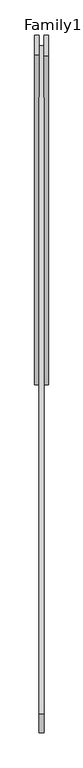
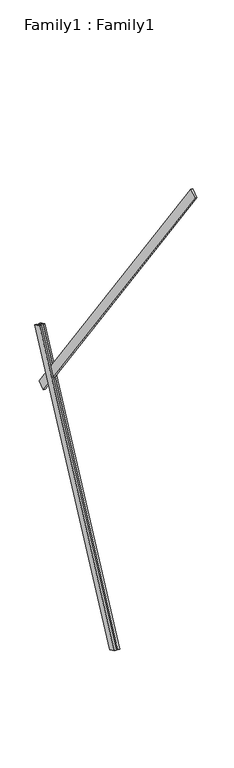
"""IFC4 building model written with IfcOpenShell, lengths in millimetres: proxy geometry, Family1 : Family1."""

import ifcopenshell
import ifcopenshell.guid

model = None  # the IFC model being written
_history = None  # IfcOwnerHistory: only IFC2X3 demands one
_inside = {}  # id of a spatial element -> (the spatial element, [elements in it])
_under = {}  # id of a project, library or spatial element -> (it, [spatial elements below it])
_declared = {}  # id of a project -> (the project, [libraries it declares])
_typed = {}  # id of a type object -> (the type object, [elements of that type])
_made_of = {}  # id of a material, layer set ... -> (it, [elements and type objects made of it])


def new_model(schema):
    """Start an empty IFC model of exactly this schema.

    Asked for "IFC4X3", IfcOpenShell would pick the latest addendum, in which some entities
    have other attributes; the version numbers below select the first issue.
    IFC2X3 requires an IfcOwnerHistory on every rooted entity: one is made here for all.
    """
    global model, _history
    if schema == "IFC4X3":
        model = ifcopenshell.file(schema_version=(4, 3, 0, 0))
    else:
        model = ifcopenshell.file(schema=schema)
    _inside.clear()
    _under.clear()
    _declared.clear()
    _typed.clear()
    _made_of.clear()
    _history = None
    if model.schema == "IFC2X3":
        org = make("IfcOrganization", Name="unknown")
        user = make(
            "IfcPersonAndOrganization",
            ThePerson=make("IfcPerson", FamilyName="unknown"),
            TheOrganization=org,
        )
        app = make(
            "IfcApplication",
            ApplicationDeveloper=org,
            Version="unknown",
            ApplicationFullName="unknown",
            ApplicationIdentifier="unknown",
        )
        _history = make(
            "IfcOwnerHistory",
            OwningUser=user,
            OwningApplication=app,
            ChangeAction="ADDED",
            CreationDate=0,
        )
    return model


def make(cls, **values):
    """One entity of the class cls with the attributes given. An attribute that is None is left unset."""
    return model.create_entity(
        cls, **{name: value for name, value in values.items() if value is not None}
    )


def rooted(cls, **values):
    """An entity with a GlobalId (a new one), such as an element, a storey or a relation."""
    return make(cls, GlobalId=ifcopenshell.guid.new(), OwnerHistory=_history, **values)


def si_unit(unit_type, name, prefix=None):
    """IfcSIUnit, for example si_unit("LENGTHUNIT", "METRE", prefix="MILLI")."""
    return make("IfcSIUnit", UnitType=unit_type, Prefix=prefix, Name=name)


def assignment(units):
    """IfcUnitAssignment: the units of a project."""
    return None if units is None else make("IfcUnitAssignment", Units=units)


def point(xyz):
    """IfcCartesianPoint."""
    return None if xyz is None else make("IfcCartesianPoint", Coordinates=xyz)


def direction(xyz):
    """IfcDirection."""
    return None if xyz is None else make("IfcDirection", DirectionRatios=xyz)


def frame(location, z_axis=None, x_axis=None):
    """IfcAxis2Placement3D, a coordinate frame: its origin and axes. An axis left out is left unset."""
    return make(
        "IfcAxis2Placement3D",
        Location=point(location),
        Axis=direction(z_axis),
        RefDirection=direction(x_axis),
    )


def origin():
    """The frame at (0, 0, 0) with its axes left unset."""
    return frame((0.0, 0.0, 0.0))


def place(relative_to, where):
    """IfcLocalPlacement: puts the frame where relative to a parent placement (None: the world)."""
    return make(
        "IfcLocalPlacement", PlacementRelTo=relative_to, RelativePlacement=where
    )


def context(
    kind, dimensions, precision=None, world=None, true_north=None, identifier=None
):
    """IfcGeometricRepresentationContext, for example the 3D "Model" context."""
    return make(
        "IfcGeometricRepresentationContext",
        ContextIdentifier=identifier,
        ContextType=kind,
        CoordinateSpaceDimension=dimensions,
        Precision=precision,
        WorldCoordinateSystem=world,
        TrueNorth=true_north,
    )


def project(units=None, contexts=None):
    """IfcProject with its units and contexts."""
    return rooted(
        "IfcProject",
        Name="project",
        RepresentationContexts=contexts,
        UnitsInContext=assignment(units),
    )


def spatial(cls, under=None, at=None, **own):
    """A site, building, storey or space (cls), placed at a placement, below another one or the project."""
    s = rooted(cls, ObjectPlacement=at, **own)
    if under is not None:
        _under.setdefault(under.id(), (under, []))[1].append(s)
    return s


def polyline(points):
    """IfcPolyline through the points."""
    return make("IfcPolyline", Points=[point(p) for p in points])


def outline(outer, holes=None, kind="AREA"):
    """IfcArbitraryClosedProfileDef: a profile drawn as a closed curve; with holes, ...WithVoids."""
    if holes is None:
        return make("IfcArbitraryClosedProfileDef", ProfileType=kind, OuterCurve=outer)
    return make(
        "IfcArbitraryProfileDefWithVoids",
        ProfileType=kind,
        OuterCurve=outer,
        InnerCurves=holes,
    )


def extrude(swept, where, along, depth):
    """IfcExtrudedAreaSolid: the profile swept, set in the frame where, extruded along a direction by depth."""
    return make(
        "IfcExtrudedAreaSolid",
        SweptArea=swept,
        Position=where,
        ExtrudedDirection=direction(along),
        Depth=depth,
    )


def shape(context_of_items, identifier, shape_type, items):
    """IfcShapeRepresentation: the items that make up one representation, for example the "Body"."""
    return make(
        "IfcShapeRepresentation",
        ContextOfItems=context_of_items,
        RepresentationIdentifier=identifier,
        RepresentationType=shape_type,
        Items=items,
    )


def source(mapping_origin, context_of_items, identifier, shape_type, items):
    """IfcRepresentationMap: a shape defined once, which mapped items show again and again."""
    return make(
        "IfcRepresentationMap",
        MappingOrigin=mapping_origin,
        MappedRepresentation=shape(context_of_items, identifier, shape_type, items),
    )


def transform(
    local_origin,
    x_axis=None,
    y_axis=None,
    z_axis=None,
    scale=None,
    scale2=None,
    scale3=None,
    uniform=True,
):
    """IfcCartesianTransformationOperator3D, or its non-uniform kind. x_axis, y_axis, z_axis: its Axis1, 2, 3."""
    if uniform:
        return make(
            "IfcCartesianTransformationOperator3D",
            Axis1=direction(x_axis),
            Axis2=direction(y_axis),
            LocalOrigin=point(local_origin),
            Scale=scale,
            Axis3=direction(z_axis),
        )
    return make(
        "IfcCartesianTransformationOperator3DnonUniform",
        Axis1=direction(x_axis),
        Axis2=direction(y_axis),
        LocalOrigin=point(local_origin),
        Scale=scale,
        Axis3=direction(z_axis),
        Scale2=scale2,
        Scale3=scale3,
    )


def mapped(mapping_source, mapping_target):
    """IfcMappedItem: shows the shape of a source again, moved by a transform."""
    return make(
        "IfcMappedItem", MappingSource=mapping_source, MappingTarget=mapping_target
    )


def made_of(thing, what):
    """Note that an element or type object is made of a material, layer set ...; save() writes the relation."""
    if what is not None:
        _made_of.setdefault(what.id(), (what, []))[1].append(thing)
    return thing


def element(
    cls,
    number,
    at=None,
    inside=None,
    cuts=None,
    type_object=None,
    material=None,
    context=None,
    identifier="Body",
    shape_type=None,
    held_by="IfcProductDefinitionShape",
    body=None,
    shapes=None,
    **own,
):
    """One element of the class cls, such as IfcWall. Its Tag is "e" and its number.

    at: its placement. inside: the storey or other place that contains it. cuts: it is an
    opening in that element (IfcRelVoidsElement). A single representation is given by context,
    identifier, shape_type and body (its items); several are given by shapes. held_by: the class
    of the entity that holds the representations. save() writes the other relations.
    """
    e = rooted(cls, Tag="e%d" % number, ObjectPlacement=at, **own)
    if body is not None:
        shapes = [shape(context, identifier, shape_type, body)]
    if shapes is not None:
        e.Representation = make(held_by, Representations=shapes)
    if inside is not None:
        _inside.setdefault(inside.id(), (inside, []))[1].append(e)
    if cuts is not None:
        rooted(
            "IfcRelVoidsElement", RelatingBuildingElement=cuts, RelatedOpeningElement=e
        )
    if type_object is not None:
        _typed.setdefault(type_object.id(), (type_object, []))[1].append(e)
    return made_of(e, material)


def aggregate(whole, parts):
    """IfcRelAggregates: a whole, such as a stair, and the parts it consists of."""
    return rooted("IfcRelAggregates", RelatingObject=whole, RelatedObjects=parts)


def save(model, path):
    """Write the relations noted so far, then the file.

    IfcRelAggregates (storeys below a building ...), IfcRelContainedInSpatialStructure (elements
    in a storey), IfcRelDefinesByType, IfcRelAssociatesMaterial and IfcRelDeclares: one each for
    every whole, place, type object, material and project.
    """
    for whole, parts in _under.values():
        aggregate(whole, parts)
    for where, things in _inside.values():
        rooted(
            "IfcRelContainedInSpatialStructure",
            RelatedElements=things,
            RelatingStructure=where,
        )
    for kind, things in _typed.values():
        rooted("IfcRelDefinesByType", RelatedObjects=things, RelatingType=kind)
    for what, things in _made_of.values():
        rooted("IfcRelAssociatesMaterial", RelatedObjects=things, RelatingMaterial=what)
    for by, libraries in _declared.values():
        rooted("IfcRelDeclares", RelatingContext=by, RelatedDefinitions=libraries)
    model.write(path)


def family1_family1_b86b3318(model_context):
    return source(origin(), model_context, "Body", "SweptSolid", [
        extrude(outline(polyline([(0.0, 0.0), (0.0, -20.0), (-100.0000001, -20.0), (-100.0000001, 0.0), (0.0, 0.0)])), frame((-30.0, 46.3241747, -22.5938096), z_axis=(0.0, 0.4383711467890692, 0.8987940462991711), x_axis=(0.0, 0.8987940462991711, -0.4383711467890692)), (0.0, 0.0, 1.0), 3300.0),
        extrude(outline(polyline([(0.0, 0.0), (0.0, -20.0), (-99.9999999, -20.0), (-99.9999999, 0.0), (0.0, 0.0)])), frame((10.0, 45.270232, -22.0797674), z_axis=(0.0, 0.4383711467890692, 0.8987940462991711), x_axis=(0.0, 0.8987940462991711, -0.4383711467890692)), (0.0, 0.0, 1.0), 3300.0),
        extrude(outline(polyline([(0.0, 0.0), (0.0, -100.0), (-20.0, -100.0), (-20.0, 0.0), (0.0, 0.0)])), frame((10.0, 1445.2469402, 2301.9017899), z_axis=(0.0, -0.5877852522924718, 0.8090169943749486), x_axis=(1.0, 0.0, 0.0)), (0.0, 0.0, 1.0), 5000.0),
    ])


if __name__ == "__main__":
    model = new_model("IFC4")
    model_context = context("Model", 3, world=origin())
    ifc_project = project(units=[si_unit("LENGTHUNIT", "METRE", prefix="MILLI")], contexts=[model_context])
    site = spatial("IfcSite", under=ifc_project)
    building = spatial("IfcBuilding", under=site)
    placement = place(None, origin())
    family1_family1_shape = family1_family1_b86b3318(model_context)
    element("IfcBuildingElementProxy", 1, Name="Family1 : Family1", ObjectType="Family1 : Family1", at=placement, inside=building, context=model_context, shape_type="MappedRepresentation", body=[
        mapped(family1_family1_shape, transform((0.0, 0.0, 0.0), x_axis=(1.0, 0.0, 0.0), y_axis=(0.0, 1.0, 0.0), z_axis=(0.0, 0.0, 1.0))),
    ])
    save(model, "model.ifc")
